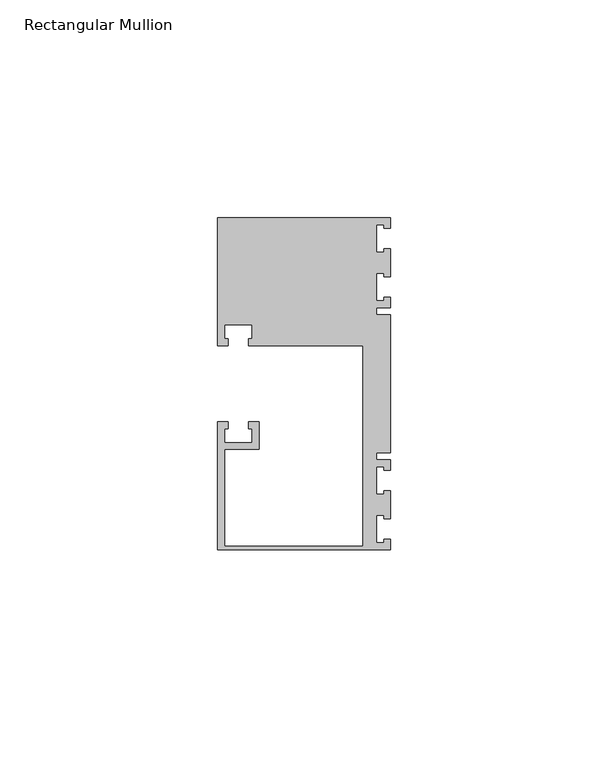
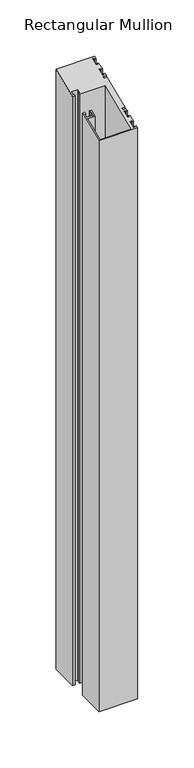
"""IFC4 building model written with IfcOpenShell, lengths in millimetres: member geometry, Rectangular Mullion."""

from ifc_helpers import new_model, si_unit, origin, place, context, project, spatial, faceted_brep, source, transform, mapped, element, save


def rectangular_mullion_e1e35f56(model_context):
    return source(origin(), model_context, "Body", "Brep", [
        faceted_brep([(0.0, -38.1, -635.0), (-39.6875, -38.1, -635.0), (-39.6875, -8.73125, -635.0), (-37.30625, -8.73125, -635.0), (-37.30625, -10.31875, -635.0), (-38.1, -10.31875, -635.0), (-38.1, -13.49375, -635.0), (-31.75, -13.49375, -635.0), (-31.75, -10.31875, -635.0), (-32.54375, -10.31875, -635.0), (-32.54375, -8.73125, -635.0), (-30.1625, -8.73125, -635.0), (-30.1625, -15.08125, -635.0), (-38.1, -15.08125, -635.0), (-38.1, -37.30625, -635.0), (-6.35, -37.30625, -635.0), (-6.35, 8.73125, -635.0), (-32.54375, 8.73125, -635.0), (-32.54375, 10.31875, -635.0), (-31.75, 10.31875, -635.0), (-31.75, 13.49375, -635.0), (-38.1, 13.49375, -635.0), (-38.1, 10.31875, -635.0), (-37.30625, 10.31875, -635.0), (-37.30625, 8.73125, -635.0), (-39.6875, 8.73125, -635.0), (-39.6875, 38.1, -635.0), (0.0, 38.1, -635.0), (0.0, 35.71875, -635.0), (-1.4999946, 35.71875, -635.0), (-1.4999946, 36.5125, -635.0), (-3.175, 36.5125, -635.0), (-3.175, 30.1625, -635.0), (-1.4999946, 30.1625, -635.0), (-1.4999946, 30.95625, -635.0), (0.0, 30.95625, -635.0), (0.0, 24.60625, -635.0), (-1.4999946, 24.60625, -635.0), (-1.4999946, 25.4, -635.0), (-3.175, 25.4, -635.0), (-3.175, 19.05, -635.0), (-1.4999946, 19.05, -635.0), (-1.4999946, 19.84375, -635.0), (0.0, 19.84375, -635.0), (0.0, 17.4625, -635.0), (-3.175, 17.4625, -635.0), (-3.175, 15.875, -635.0), (0.0, 15.875, -635.0), (0.0, -15.875, -635.0), (-3.175, -15.875, -635.0), (-3.175, -17.4625, -635.0), (0.0, -17.4625, -635.0), (0.0, -19.84375, -635.0), (-1.4999946, -19.84375, -635.0), (-1.4999946, -19.05, -635.0), (-3.175, -19.05, -635.0), (-3.175, -25.4, -635.0), (-1.4999946, -25.4, -635.0), (-1.4999946, -24.60625, -635.0), (0.0, -24.60625, -635.0), (0.0, -30.95625, -635.0), (-1.4999946, -30.95625, -635.0), (-1.4999946, -30.1625, -635.0), (-3.175, -30.1625, -635.0), (-3.175, -36.5125, -635.0), (-1.4999946, -36.5125, -635.0), (-1.4999946, -35.71875, -635.0), (0.0, -35.71875, -635.0), (0.0, -35.71875, -14.7951907), (0.0, -38.1, -15.7815367), (-1.4999946, -35.71875, -14.7951907), (-1.4999946, -36.5125, -15.1239727), (-3.175, -36.5125, -15.1239727), (-3.175, -30.1625, -12.4937166), (-1.4999946, -30.1625, -12.4937166), (-1.4999946, -30.95625, -12.8224986), (0.0, -30.95625, -12.8224986), (0.0, -24.60625, -10.1922425), (-1.4999946, -24.60625, -10.1922425), (-1.4999946, -25.4, -10.5210245), (-3.175, -25.4, -10.5210245), (-3.175, -19.05, -7.8907684), (-1.4999946, -19.05, -7.8907684), (-1.4999946, -19.84375, -8.2195504), (0.0, -19.84375, -8.2195504), (0.0, -17.4625, -7.2332043), (-3.175, -17.4625, -7.2332043), (-3.175, -15.875, -6.5756403), (0.0, -15.875, -6.5756403), (0.0, 15.875, 6.5756403), (-3.175, 15.875, 6.5756403), (-3.175, 17.4625, 7.2332043), (0.0, 17.4625, 7.2332043), (0.0, 19.84375, 8.2195504), (-1.4999946, 19.84375, 8.2195504), (-1.4999946, 19.05, 7.8907684), (-3.175, 19.05, 7.8907684), (-3.175, 25.4, 10.5210245), (-1.4999946, 25.4, 10.5210245), (-1.4999946, 24.60625, 10.1922425), (0.0, 24.60625, 10.1922425), (0.0, 30.95625, 12.8224986), (-1.4999946, 30.95625, 12.8224986), (-1.4999946, 30.1625, 12.4937166), (-3.175, 30.1625, 12.4937166), (-3.175, 36.5125, 15.1239727), (-1.4999946, 36.5125, 15.1239727), (-1.4999946, 35.71875, 14.7951907), (0.0, 35.71875, 14.7951907), (0.0, 38.1, 15.7815367), (-39.6875, 38.1, 15.7815367), (-39.6875, 8.73125, 3.6166022), (-37.30625, 8.73125, 3.6166022), (-37.30625, 10.31875, 4.2741662), (-38.1, 10.31875, 4.2741662), (-38.1, 13.49375, 5.5892943), (-31.75, 13.49375, 5.5892943), (-31.75, 10.31875, 4.2741662), (-32.54375, 10.31875, 4.2741662), (-32.54375, 8.73125, 3.6166022), (-6.35, 8.73125, 3.6166022), (-6.35, -37.30625, -15.4527547), (-38.1, -37.30625, -15.4527547), (-38.1, -15.08125, -6.2468583), (-30.1625, -15.08125, -6.2468583), (-30.1625, -8.73125, -3.6166022), (-32.54375, -8.73125, -3.6166022), (-32.54375, -10.31875, -4.2741662), (-31.75, -10.31875, -4.2741662), (-31.75, -13.49375, -5.5892943), (-38.1, -13.49375, -5.5892943), (-38.1, -10.31875, -4.2741662), (-37.30625, -10.31875, -4.2741662), (-37.30625, -8.73125, -3.6166022), (-39.6875, -8.73125, -3.6166022), (-39.6875, -38.1, -15.7815367)], [[[0, 1, 2, 3, 4, 5, 6, 7, 8, 9, 10, 11, 12, 13, 14, 15, 16, 17, 18, 19, 20, 21, 22, 23, 24, 25, 26, 27, 28, 29, 30, 31, 32, 33, 34, 35, 36, 37, 38, 39, 40, 41, 42, 43, 44, 45, 46, 47, 48, 49, 50, 51, 52, 53, 54, 55, 56, 57, 58, 59, 60, 61, 62, 63, 64, 65, 66, 67]], [[68, 69, 0, 67]], [[70, 68, 67, 66]], [[71, 70, 66, 65]], [[72, 71, 65, 64]], [[73, 72, 64, 63]], [[74, 73, 63, 62]], [[75, 74, 62, 61]], [[76, 75, 61, 60]], [[77, 76, 60, 59]], [[78, 77, 59, 58]], [[79, 78, 58, 57]], [[80, 79, 57, 56]], [[81, 80, 56, 55]], [[82, 81, 55, 54]], [[83, 82, 54, 53]], [[84, 83, 53, 52]], [[85, 84, 52, 51]], [[86, 85, 51, 50]], [[87, 86, 50, 49]], [[88, 87, 49, 48]], [[89, 88, 48, 47]], [[90, 89, 47, 46]], [[91, 90, 46, 45]], [[92, 91, 45, 44]], [[93, 92, 44, 43]], [[94, 93, 43, 42]], [[95, 94, 42, 41]], [[96, 95, 41, 40]], [[97, 96, 40, 39]], [[98, 97, 39, 38]], [[99, 98, 38, 37]], [[100, 99, 37, 36]], [[101, 100, 36, 35]], [[102, 101, 35, 34]], [[103, 102, 34, 33]], [[104, 103, 33, 32]], [[105, 104, 32, 31]], [[106, 105, 31, 30]], [[107, 106, 30, 29]], [[108, 107, 29, 28]], [[109, 108, 28, 27]], [[110, 109, 27, 26]], [[111, 110, 26, 25]], [[112, 111, 25, 24]], [[113, 112, 24, 23]], [[114, 113, 23, 22]], [[115, 114, 22, 21]], [[116, 115, 21, 20]], [[117, 116, 20, 19]], [[118, 117, 19, 18]], [[119, 118, 18, 17]], [[120, 119, 17, 16]], [[121, 120, 16, 15]], [[122, 121, 15, 14]], [[123, 122, 14, 13]], [[124, 123, 13, 12]], [[125, 124, 12, 11]], [[126, 125, 11, 10]], [[127, 126, 10, 9]], [[128, 127, 9, 8]], [[129, 128, 8, 7]], [[130, 129, 7, 6]], [[131, 130, 6, 5]], [[132, 131, 5, 4]], [[133, 132, 4, 3]], [[134, 133, 3, 2]], [[135, 134, 2, 1]], [[69, 135, 1, 0]], [[69, 68, 70, 71, 72, 73, 74, 75, 76, 77, 78, 79, 80, 81, 82, 83, 84, 85, 86, 87, 88, 89, 90, 91, 92, 93, 94, 95, 96, 97, 98, 99, 100, 101, 102, 103, 104, 105, 106, 107, 108, 109, 110, 111, 112, 113, 114, 115, 116, 117, 118, 119, 120, 121, 122, 123, 124, 125, 126, 127, 128, 129, 130, 131, 132, 133, 134, 135]]]),
    ])


if __name__ == "__main__":
    model = new_model("IFC4")
    model_context = context("Model", 3, world=origin())
    ifc_project = project(units=[si_unit("LENGTHUNIT", "METRE", prefix="MILLI")], contexts=[model_context])
    site = spatial("IfcSite", under=ifc_project)
    building = spatial("IfcBuilding", under=site)
    placement = place(None, origin())
    rectangular_mullion_shape = rectangular_mullion_e1e35f56(model_context)
    element("IfcMember", 1, ObjectType="Rectangular Mullion", at=placement, inside=building, context=model_context, shape_type="MappedRepresentation", body=[
        mapped(rectangular_mullion_shape, transform((0.0, 0.0, 0.0), x_axis=(1.0, 0.0, 0.0), y_axis=(0.0, 1.0, 0.0), z_axis=(0.0, 0.0, 1.0))),
    ])
    save(model, "model.ifc")
